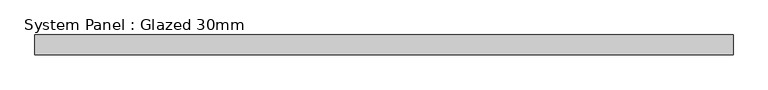
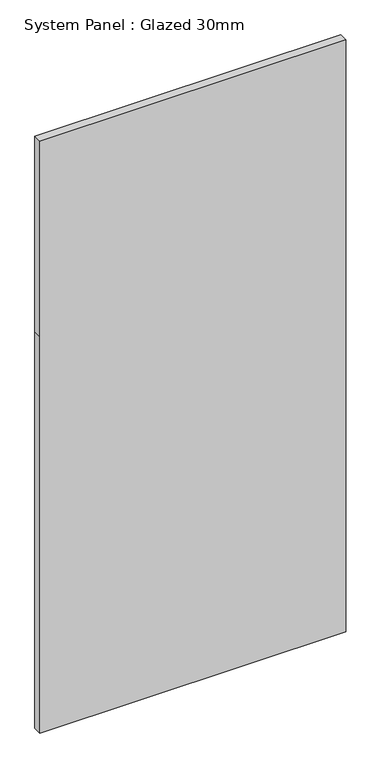
"""IFC4 building model written with IfcOpenShell, lengths in millimetres: plate geometry, System Panel : Glazed 30mm."""

from ifc_helpers import new_model, si_unit, frame, origin, place, context, project, spatial, polyline, outline, extrude, source, transform, mapped, element, save


def system_panel_glazed_30mm_2e99fb92(model_context):
    return source(origin(), model_context, "Body", "SweptSolid", [
        extrude(outline(polyline([(0.0, -525.5000609), (0.0, 525.5000609), (1440.5191706, 525.5000609), (2149.9980934, 525.5000609), (2149.9980934, -525.5000609), (1440.5191706, -525.5000609), (0.0, -525.5000609)])), frame((0.0, -15.0, 0.0), z_axis=(0.0, 1.0, 0.0), x_axis=(0.0, 0.0, 1.0)), (0.0, 0.0, 1.0), 30.0),
    ])


if __name__ == "__main__":
    model = new_model("IFC4")
    model_context = context("Model", 3, world=origin())
    ifc_project = project(units=[si_unit("LENGTHUNIT", "METRE", prefix="MILLI")], contexts=[model_context])
    site = spatial("IfcSite", under=ifc_project)
    building = spatial("IfcBuilding", under=site)
    placement = place(None, origin())
    system_panel_glazed_30mm_shape = system_panel_glazed_30mm_2e99fb92(model_context)
    element("IfcPlate", 1, ObjectType="System Panel : Glazed 30mm", at=placement, inside=building, context=model_context, shape_type="MappedRepresentation", body=[
        mapped(system_panel_glazed_30mm_shape, transform((0.0, 0.0, 0.0), x_axis=(1.0, 0.0, 0.0), y_axis=(0.0, 1.0, 0.0), z_axis=(0.0, 0.0, 1.0))),
    ])
    save(model, "model.ifc")
